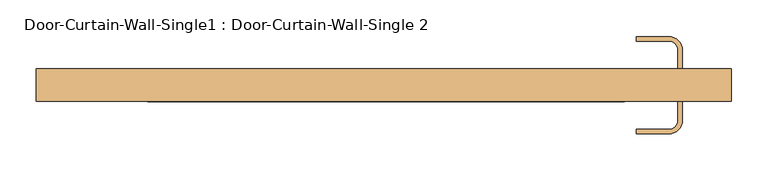
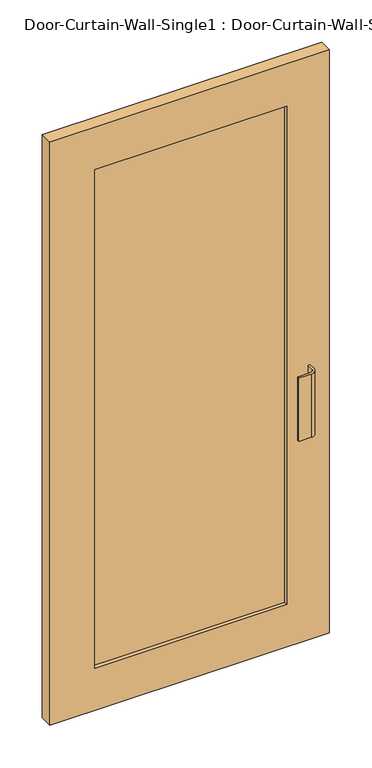
"""IFC4 building model written with IfcOpenShell, lengths in millimetres: door geometry, Door-Curtain-Wall-Single1 : Door-Curtain-Wall-Single 2."""

from ifc_helpers import new_model, si_unit, point, frame, frame_2d, origin, place, context, project, spatial, polyline, circle_curve, trimmed, segment, composite_curve, outline, extrude, source, transform, mapped, element, save


def door_curtain_wall_single1_door_curtain_wall_single_2_70283420(model_context):
    return source(origin(), model_context, "Body", "SweptSolid", [
        extrude(outline(polyline([(2101.85, 476.25), (2101.85, -476.25), (0.0, -476.25), (0.0, 476.25), (2101.85, 476.25)]), holes=[polyline([(1949.45, -323.85), (1949.45, 330.2), (152.4, 330.2), (152.4, -323.85), (1949.45, -323.85)])]), frame((0.0, -57.15, 0.0), z_axis=(0.0, 1.0, 0.0), x_axis=(0.0, 0.0, 1.0)), (0.0, 0.0, 1.0), 44.45),
        extrude(outline(polyline([(330.2, -25.4), (330.2, -44.45), (-323.85, -44.45), (-323.85, -25.4), (330.2, -25.4)])), frame((0.0, 0.0, 152.4), z_axis=(0.0, 0.0, 1.0), x_axis=(1.0, 0.0, 0.0)), (0.0, 0.0, 1.0), 1797.05),
        extrude(outline(composite_curve([segment(polyline([(409.575, 12.7), (409.575, -12.7), (403.225, -12.7), (403.225, 12.7)]), True, "CONTINUOUS"), segment(trimmed(circle_curve(frame_2d((390.525, 12.7)), 12.7), [point((403.225, 12.7))], [point((390.525, 25.4))], True, "CARTESIAN"), True, "CONTINUOUS"), segment(polyline([(390.525, 25.4), (346.075, 25.4), (346.075, 31.75), (390.525, 31.75)]), True, "CONTINUOUS"), segment(trimmed(circle_curve(frame_2d((390.525, 12.7)), 19.05), [point((390.525, 31.75))], [point((409.575, 12.7))], False, "CARTESIAN"), True, "CONTINUOUS")], self_intersect=False)), frame((0.0, 0.0, 762.0), z_axis=(0.0, 0.0, 1.0), x_axis=(1.0, 0.0, 0.0)), (0.0, 0.0, 1.0), 228.6),
        extrude(outline(composite_curve([segment(trimmed(circle_curve(frame_2d((390.525, -82.55)), 19.05), [point((409.575, -82.55))], [point((390.525, -101.6))], False, "CARTESIAN"), True, "CONTINUOUS"), segment(polyline([(390.525, -101.6), (346.075, -101.6), (346.075, -95.25), (390.525, -95.25)]), True, "CONTINUOUS"), segment(trimmed(circle_curve(frame_2d((390.525, -82.55)), 12.7), [point((390.525, -95.25))], [point((403.225, -82.55))], True, "CARTESIAN"), True, "CONTINUOUS"), segment(polyline([(403.225, -82.55), (403.225, -57.15), (409.575, -57.15), (409.575, -82.55)]), True, "CONTINUOUS")], self_intersect=False)), frame((0.0, 0.0, 762.0), z_axis=(0.0, 0.0, 1.0), x_axis=(1.0, 0.0, 0.0)), (0.0, 0.0, 1.0), 228.6),
    ])


if __name__ == "__main__":
    model = new_model("IFC4")
    model_context = context("Model", 3, world=origin())
    ifc_project = project(units=[si_unit("LENGTHUNIT", "METRE", prefix="MILLI")], contexts=[model_context])
    site = spatial("IfcSite", under=ifc_project)
    building = spatial("IfcBuilding", under=site)
    placement = place(None, origin())
    door_curtain_wall_single1_door_curtain_wall_single_2_shape = door_curtain_wall_single1_door_curtain_wall_single_2_70283420(model_context)
    element("IfcDoor", 1, ObjectType="Door-Curtain-Wall-Single1 : Door-Curtain-Wall-Single 2", at=placement, inside=building, context=model_context, shape_type="MappedRepresentation", body=[
        mapped(door_curtain_wall_single1_door_curtain_wall_single_2_shape, transform((0.0, 0.0, 0.0), x_axis=(1.0, 0.0, 0.0), y_axis=(0.0, 1.0, 0.0), z_axis=(0.0, 0.0, 1.0))),
    ])
    save(model, "model.ifc")
